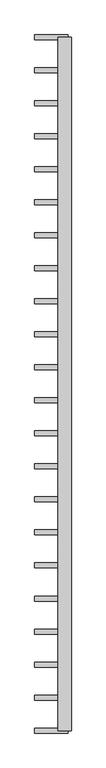
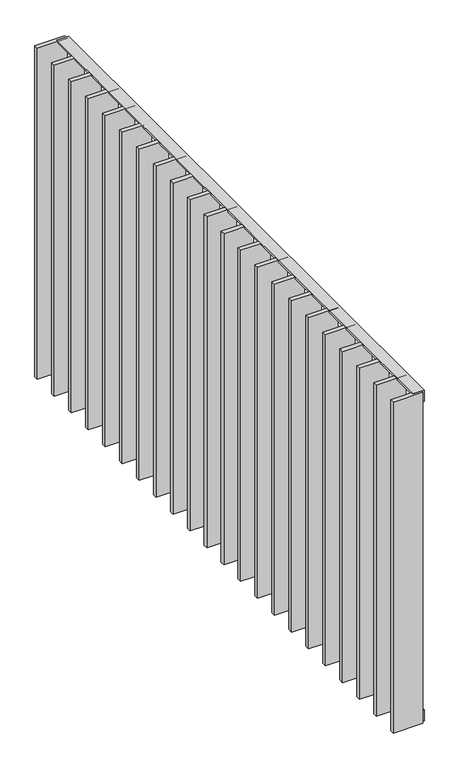
"""IFC4 building model written with IfcOpenShell, lengths in millimetres: railing geometry."""

from ifc_helpers import new_model, si_unit, frame, origin, place, context, project, spatial, polyline, outline, extrude, source, transform, mapped, element, save


def railing_f5c5479e(model_context):
    return source(origin(), model_context, "Body", "SweptSolid", [
        extrude(outline(polyline([(-6.0, 14.0), (-40.0, 14.0), (-40.0, 20.0), (0.0, 20.0), (0.0, -20.0), (-6.0, -20.0), (-6.0, 14.0)])), frame((27385.9325551, 6109.4012767, 8000.0), z_axis=(5.029084840875869e-12, 1.0, 0.0), x_axis=(0.0, 0.0, 1.0)), (0.0, 0.0, 1.0), 2080.0),
        extrude(outline(polyline([(6.0, 14.0), (6.0, -20.0), (0.0, -20.0), (0.0, 20.0), (40.0, 20.0), (40.0, 14.0), (6.0, 14.0)])), frame((27385.9325551, 6109.4012767, 6820.0), z_axis=(5.029084840875869e-12, 1.0, 0.0), x_axis=(0.0, 0.0, 1.0)), (0.0, 0.0, 1.0), 2080.0),
        extrude(outline(polyline([(27395.9325551, 8082.8536576), (27295.9325551, 8082.8536576), (27295.9325551, 8097.8536576), (27395.9325551, 8097.8536576), (27395.9325551, 8082.8536576)])), frame((0.0, 0.0, 6819.9), z_axis=(0.0, 0.0, 1.0), x_axis=(1.0, 0.0, 0.0)), (0.0, 0.0, 1.0), 1180.2),
        extrude(outline(polyline([(27395.9325551, 7983.8060386), (27295.9325551, 7983.8060386), (27295.9325551, 7998.8060386), (27395.9325551, 7998.8060386), (27395.9325551, 7983.8060386)])), frame((0.0, 0.0, 6819.9), z_axis=(0.0, 0.0, 1.0), x_axis=(1.0, 0.0, 0.0)), (0.0, 0.0, 1.0), 1180.2),
        extrude(outline(polyline([(27395.9325551, 7884.7584195), (27295.9325551, 7884.7584195), (27295.9325551, 7899.7584195), (27395.9325551, 7899.7584195), (27395.9325551, 7884.7584195)])), frame((0.0, 0.0, 6819.9), z_axis=(0.0, 0.0, 1.0), x_axis=(1.0, 0.0, 0.0)), (0.0, 0.0, 1.0), 1180.2),
        extrude(outline(polyline([(27395.9325551, 7785.7108005), (27295.9325551, 7785.7108005), (27295.9325551, 7800.7108005), (27395.9325551, 7800.7108005), (27395.9325551, 7785.7108005)])), frame((0.0, 0.0, 6819.9), z_axis=(0.0, 0.0, 1.0), x_axis=(1.0, 0.0, 0.0)), (0.0, 0.0, 1.0), 1180.2),
        extrude(outline(polyline([(27395.9325551, 7686.6631814), (27295.9325551, 7686.6631814), (27295.9325551, 7701.6631814), (27395.9325551, 7701.6631814), (27395.9325551, 7686.6631814)])), frame((0.0, 0.0, 6819.9), z_axis=(0.0, 0.0, 1.0), x_axis=(1.0, 0.0, 0.0)), (0.0, 0.0, 1.0), 1180.2),
        extrude(outline(polyline([(27395.9325551, 7587.6155624), (27295.9325551, 7587.6155624), (27295.9325551, 7602.6155624), (27395.9325551, 7602.6155624), (27395.9325551, 7587.6155624)])), frame((0.0, 0.0, 6819.9), z_axis=(0.0, 0.0, 1.0), x_axis=(1.0, 0.0, 0.0)), (0.0, 0.0, 1.0), 1180.2),
        extrude(outline(polyline([(27395.9325551, 7488.5679433), (27295.9325551, 7488.5679433), (27295.9325551, 7503.5679433), (27395.9325551, 7503.5679433), (27395.9325551, 7488.5679433)])), frame((0.0, 0.0, 6819.9), z_axis=(0.0, 0.0, 1.0), x_axis=(1.0, 0.0, 0.0)), (0.0, 0.0, 1.0), 1180.2),
        extrude(outline(polyline([(27395.9325551, 7389.5203243), (27295.9325551, 7389.5203243), (27295.9325551, 7404.5203243), (27395.9325551, 7404.5203243), (27395.9325551, 7389.5203243)])), frame((0.0, 0.0, 6819.9), z_axis=(0.0, 0.0, 1.0), x_axis=(1.0, 0.0, 0.0)), (0.0, 0.0, 1.0), 1180.2),
        extrude(outline(polyline([(27395.9325551, 7290.4727052), (27295.9325551, 7290.4727052), (27295.9325551, 7305.4727052), (27395.9325551, 7305.4727052), (27395.9325551, 7290.4727052)])), frame((0.0, 0.0, 6819.9), z_axis=(0.0, 0.0, 1.0), x_axis=(1.0, 0.0, 0.0)), (0.0, 0.0, 1.0), 1180.2),
        extrude(outline(polyline([(27395.9325551, 7191.4250862), (27295.9325551, 7191.4250862), (27295.9325551, 7206.4250862), (27395.9325551, 7206.4250862), (27395.9325551, 7191.4250862)])), frame((0.0, 0.0, 6819.9), z_axis=(0.0, 0.0, 1.0), x_axis=(1.0, 0.0, 0.0)), (0.0, 0.0, 1.0), 1180.2),
        extrude(outline(polyline([(27395.9325551, 7092.3774671), (27295.9325551, 7092.3774671), (27295.9325551, 7107.3774671), (27395.9325551, 7107.3774671), (27395.9325551, 7092.3774671)])), frame((0.0, 0.0, 6819.9), z_axis=(0.0, 0.0, 1.0), x_axis=(1.0, 0.0, 0.0)), (0.0, 0.0, 1.0), 1180.2),
        extrude(outline(polyline([(27395.9325551, 6993.3298481), (27295.9325551, 6993.3298481), (27295.9325551, 7008.3298481), (27395.9325551, 7008.3298481), (27395.9325551, 6993.3298481)])), frame((0.0, 0.0, 6819.9), z_axis=(0.0, 0.0, 1.0), x_axis=(1.0, 0.0, 0.0)), (0.0, 0.0, 1.0), 1180.2),
        extrude(outline(polyline([(27395.9325551, 6894.2822291), (27295.9325551, 6894.2822291), (27295.9325551, 6909.2822291), (27395.9325551, 6909.2822291), (27395.9325551, 6894.2822291)])), frame((0.0, 0.0, 6819.9), z_axis=(0.0, 0.0, 1.0), x_axis=(1.0, 0.0, 0.0)), (0.0, 0.0, 1.0), 1180.2),
        extrude(outline(polyline([(27395.9325551, 6795.23461), (27295.9325551, 6795.23461), (27295.9325551, 6810.23461), (27395.9325551, 6810.23461), (27395.9325551, 6795.23461)])), frame((0.0, 0.0, 6819.9), z_axis=(0.0, 0.0, 1.0), x_axis=(1.0, 0.0, 0.0)), (0.0, 0.0, 1.0), 1180.2),
        extrude(outline(polyline([(27395.9325551, 6696.186991), (27295.9325551, 6696.186991), (27295.9325551, 6711.186991), (27395.9325551, 6711.186991), (27395.9325551, 6696.186991)])), frame((0.0, 0.0, 6819.9), z_axis=(0.0, 0.0, 1.0), x_axis=(1.0, 0.0, 0.0)), (0.0, 0.0, 1.0), 1180.2),
        extrude(outline(polyline([(27395.9325551, 6597.1393719), (27295.9325551, 6597.1393719), (27295.9325551, 6612.1393719), (27395.9325551, 6612.1393719), (27395.9325551, 6597.1393719)])), frame((0.0, 0.0, 6819.9), z_axis=(0.0, 0.0, 1.0), x_axis=(1.0, 0.0, 0.0)), (0.0, 0.0, 1.0), 1180.2),
        extrude(outline(polyline([(27395.9325551, 6498.0917529), (27295.9325551, 6498.0917529), (27295.9325551, 6513.0917529), (27395.9325551, 6513.0917529), (27395.9325551, 6498.0917529)])), frame((0.0, 0.0, 6819.9), z_axis=(0.0, 0.0, 1.0), x_axis=(1.0, 0.0, 0.0)), (0.0, 0.0, 1.0), 1180.2),
        extrude(outline(polyline([(27395.9325551, 6399.0441338), (27295.9325551, 6399.0441338), (27295.9325551, 6414.0441338), (27395.9325551, 6414.0441338), (27395.9325551, 6399.0441338)])), frame((0.0, 0.0, 6819.9), z_axis=(0.0, 0.0, 1.0), x_axis=(1.0, 0.0, 0.0)), (0.0, 0.0, 1.0), 1180.2),
        extrude(outline(polyline([(27395.9325551, 6299.9965148), (27295.9325551, 6299.9965148), (27295.9325551, 6314.9965148), (27395.9325551, 6314.9965148), (27395.9325551, 6299.9965148)])), frame((0.0, 0.0, 6819.9), z_axis=(0.0, 0.0, 1.0), x_axis=(1.0, 0.0, 0.0)), (0.0, 0.0, 1.0), 1180.2),
        extrude(outline(polyline([(27395.9325551, 6200.9488957), (27295.9325551, 6200.9488957), (27295.9325551, 6215.9488957), (27395.9325551, 6215.9488957), (27395.9325551, 6200.9488957)])), frame((0.0, 0.0, 6819.9), z_axis=(0.0, 0.0, 1.0), x_axis=(1.0, 0.0, 0.0)), (0.0, 0.0, 1.0), 1180.2),
        extrude(outline(polyline([(27395.9325551, 8181.9012767), (27295.9325551, 8181.9012767), (27295.9325551, 8196.9012767), (27395.9325551, 8196.9012767), (27395.9325551, 8181.9012767)])), frame((0.0, 0.0, 6819.9), z_axis=(0.0, 0.0, 1.0), x_axis=(1.0, 0.0, 0.0)), (0.0, 0.0, 1.0), 1180.2),
        extrude(outline(polyline([(27395.9325551, 6101.9012767), (27295.9325551, 6101.9012767), (27295.9325551, 6116.9012767), (27395.9325551, 6116.9012767), (27395.9325551, 6101.9012767)])), frame((0.0, 0.0, 6819.9), z_axis=(0.0, 0.0, 1.0), x_axis=(1.0, 0.0, 0.0)), (0.0, 0.0, 1.0), 1180.2),
    ])


if __name__ == "__main__":
    model = new_model("IFC4")
    model_context = context("Model", 3, world=origin())
    ifc_project = project(units=[si_unit("LENGTHUNIT", "METRE", prefix="MILLI")], contexts=[model_context])
    site = spatial("IfcSite", under=ifc_project)
    building = spatial("IfcBuilding", under=site)
    placement = place(None, origin())
    railing_shape = railing_f5c5479e(model_context)
    element("IfcRailing", 1, at=placement, inside=building, context=model_context, shape_type="MappedRepresentation", body=[
        mapped(railing_shape, transform((0.0, 0.0, 0.0), x_axis=(1.0, 0.0, 0.0), y_axis=(0.0, 1.0, 0.0), z_axis=(0.0, 0.0, 1.0))),
    ])
    save(model, "model.ifc")
